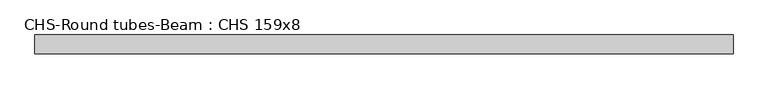
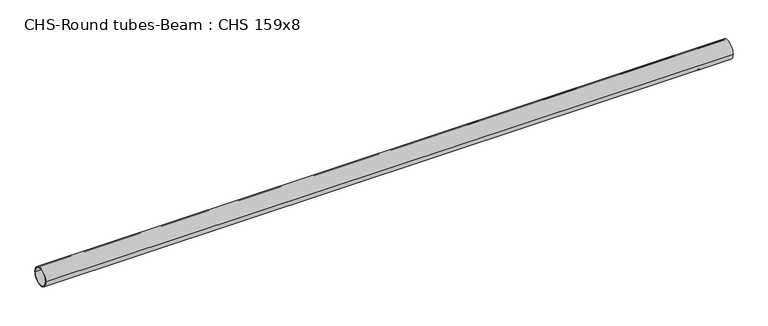
"""IFC4 building model written with IfcOpenShell, lengths in millimetres: beam geometry, CHS-Round tubes-Beam : CHS 159x8."""

from ifc_helpers import new_model, si_unit, point, frame, origin, origin_2d, place, context, project, spatial, circle_curve, trimmed, segment, composite_curve, outline, extrude, source, transform, mapped, element, save


def chs_round_tubes_beam_chs_159x8_43920dd4(model_context):
    return source(origin(), model_context, "Body", "SweptSolid", [
        extrude(outline(composite_curve([segment(trimmed(circle_curve(origin_2d(), 79.5), [point((79.5, 0.0))], [point((-79.5, 0.0))], False, "CARTESIAN"), True, "CONTINUOUS"), segment(trimmed(circle_curve(origin_2d(), 79.5), [point((-79.5, 0.0))], [point((79.5, 0.0))], False, "CARTESIAN"), True, "CONTINUOUS")], self_intersect=False), holes=[composite_curve([segment(trimmed(circle_curve(origin_2d(), 71.5), [point((71.5, 0.0))], [point((-71.5, 0.0))], True, "CARTESIAN"), True, "CONTINUOUS"), segment(trimmed(circle_curve(origin_2d(), 71.5), [point((-71.5, 0.0))], [point((71.5, 0.0))], True, "CARTESIAN"), True, "CONTINUOUS")], self_intersect=False)]), frame((-2942.5683988, 0.0, 0.0), z_axis=(1.0, 0.0, 0.0), x_axis=(0.0, 1.0, 0.0)), (0.0, 0.0, 1.0), 5885.1367976),
    ])


if __name__ == "__main__":
    model = new_model("IFC4")
    model_context = context("Model", 3, world=origin())
    ifc_project = project(units=[si_unit("LENGTHUNIT", "METRE", prefix="MILLI")], contexts=[model_context])
    site = spatial("IfcSite", under=ifc_project)
    building = spatial("IfcBuilding", under=site)
    placement = place(None, origin())
    chs_round_tubes_beam_chs_159x8_shape = chs_round_tubes_beam_chs_159x8_43920dd4(model_context)
    element("IfcBeam", 1, ObjectType="CHS-Round tubes-Beam : CHS 159x8", at=placement, inside=building, context=model_context, shape_type="MappedRepresentation", body=[
        mapped(chs_round_tubes_beam_chs_159x8_shape, transform((0.0, 0.0, 0.0), x_axis=(1.0, 0.0, 0.0), y_axis=(0.0, 1.0, 0.0), z_axis=(0.0, 0.0, 1.0))),
    ])
    save(model, "model.ifc")
